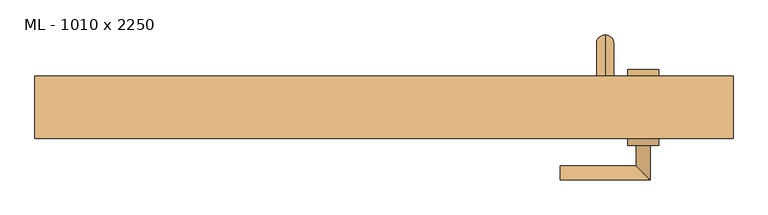
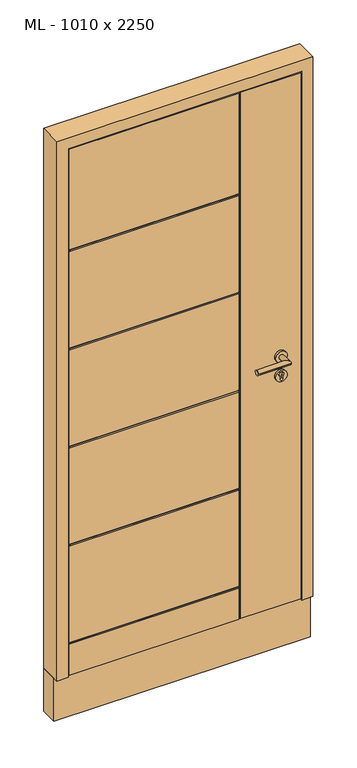
"""IFC4 building model written with IfcOpenShell, lengths in millimetres: door geometry, ML - 1010 x 2250."""

from ifc_helpers import new_model, si_unit, point, frame, frame_2d, origin, place, context, project, spatial, polyline, circle_curve, ellipse_curve, trimmed, segment, composite_curve, outline, extrude, faceted_brep, source, transform, mapped, element, save
from ifc_brep_helpers import plane_surface, cylinder_surface, revolved_surface, advanced_brep


def ml_1010_x_2250_cfb2d4d6(model_context):
    return source(origin(), model_context, "Body", "SolidModel", [
        advanced_brep(
        [(320.0, 200.0, 1875.0), (320.0, 200.0, 1900.0), (320.0, 200.0, 225.0), (320.0, 200.0, 200.0), (320.0, 235.0, 225.0), (320.0, 260.0, 200.0), (320.0, 260.0, 1900.0), (320.0, 235.0, 1875.0)],
        [
            (0, 1, circle_curve(frame((320.0, 200.0, 1887.5), z_axis=(0.0, -1.0, 0.0), x_axis=(0.0, 0.0, 1.0)), 12.5)),
            (1, 0, circle_curve(frame((320.0, 200.0, 1887.5), z_axis=(0.0, -1.0, 0.0), x_axis=(0.0, 0.0, 1.0)), 12.5)),
            (2, 3, circle_curve(frame((320.0, 200.0, 212.5), z_axis=(0.0, -1.0, 0.0), x_axis=(0.0, 0.0, -1.0)), 12.5)),
            (3, 2, circle_curve(frame((320.0, 200.0, 212.5), z_axis=(0.0, -1.0, 0.0), x_axis=(0.0, 0.0, -1.0)), 12.5)),
            (4, 2),
            (3, 5),
            (5, 4, ellipse_curve(frame((320.0, 247.5, 212.5), z_axis=(0.0, -0.7071067811865475, -0.7071067811865475), x_axis=(0.0, 0.7071067811865476, -0.7071067811865474)), 17.6776695, 12.5)),
            (4, 5, ellipse_curve(frame((320.0, 247.5, 212.5), z_axis=(0.0, -0.7071067811865475, -0.7071067811865475), x_axis=(0.0, 0.7071067811865476, -0.7071067811865474)), 17.6776695, 12.5)),
            (6, 5),
            (4, 7),
            (7, 6, ellipse_curve(frame((320.0, 247.5, 1887.5), z_axis=(0.0, 0.7071067811865475, -0.7071067811865475), x_axis=(0.0, 0.7071067811865474, 0.7071067811865476)), 17.6776695, 12.5)),
            (6, 7, ellipse_curve(frame((320.0, 247.5, 1887.5), z_axis=(0.0, 0.7071067811865475, -0.7071067811865475), x_axis=(0.0, 0.7071067811865474, 0.7071067811865476)), 17.6776695, 12.5)),
            (1, 6),
            (7, 0),
        ],
        [
            plane_surface(frame((320.0, 200.0, 1900.0), z_axis=(0.0, -1.0, 0.0), x_axis=(-1.0, 0.0, 0.0))),
            plane_surface(frame((320.0, 200.0, 200.0), z_axis=(0.0, -1.0, 0.0), x_axis=(-1.0, 0.0, 0.0))),
            cylinder_surface(frame((320.0, 260.0, 212.5), z_axis=(0.0, 1.0, 0.0), x_axis=(0.0, 0.0, -1.0)), 12.5),
            cylinder_surface(frame((320.0, 247.5, 1900.0), z_axis=(0.0, 0.0, 1.0), x_axis=(0.0, 1.0, 0.0)), 12.5),
            cylinder_surface(frame((320.0, 200.0, 1887.5), z_axis=(0.0, -1.0, 0.0), x_axis=(0.0, 0.0, 1.0)), 12.5),
        ],
        [
            (0, [[1, 2]]),
            (1, [[3, 4]]),
            (2, [[5, -4, 6, 7]]),
            (2, [[-6, -3, -5, 8]]),
            (3, [[9, -8, 10, 11]]),
            (3, [[-10, -7, -9, 12]]),
            (4, [[13, -11, 14, -2]]),
            (4, [[-14, -12, -13, -1]]),
        ],
    ),
        advanced_brep(
        [(397.5, 200.0, 970.0), (352.5, 200.0, 970.0), (397.5, 210.0, 970.0), (352.5, 210.0, 970.0), (380.0, 210.0, 958.5), (380.0, 210.0, 971.1261365), (370.0, 210.0, 971.1261365), (370.0, 210.0, 958.5), (380.0, 202.0, 958.5), (380.0, 202.0, 971.1261365), (370.0, 202.0, 971.1261365), (370.0, 202.0, 958.5)],
        [
            (0, 1, circle_curve(frame((375.0, 200.0, 970.0), z_axis=(0.0, -1.0, 0.0), x_axis=(-1.0, 0.0, 0.0)), 22.5)),
            (1, 0, circle_curve(frame((375.0, 200.0, 970.0), z_axis=(0.0, -1.0, 0.0), x_axis=(-1.0, 0.0, 0.0)), 22.5)),
            (2, 3, circle_curve(frame((375.0, 210.0, 970.0), z_axis=(0.0, 1.0, 0.0), x_axis=(-1.0, 0.0, 0.0)), 22.5)),
            (3, 2, circle_curve(frame((375.0, 210.0, 970.0), z_axis=(0.0, 1.0, 0.0), x_axis=(-1.0, 0.0, 0.0)), 22.5)),
            (4, 5),
            (5, 6, circle_curve(frame((375.0, 210.0, 978.0), z_axis=(0.0, -1.0, 0.0), x_axis=(-1.0, 0.0, 0.0)), 8.5)),
            (6, 7),
            (7, 4, circle_curve(frame((375.0, 210.0, 958.5), z_axis=(0.0, -1.0, 0.0), x_axis=(-1.0, 0.0, 0.0)), 5.0)),
            (1, 3),
            (2, 0),
            (4, 8),
            (8, 9),
            (9, 5),
            (9, 10, circle_curve(frame((375.0, 202.0, 978.0), z_axis=(0.0, -1.0, 0.0), x_axis=(-1.0, 0.0, 0.0)), 8.5)),
            (10, 6),
            (10, 11),
            (11, 7),
            (11, 8, circle_curve(frame((375.0, 202.0, 958.5), z_axis=(0.0, -1.0, 0.0), x_axis=(-1.0, 0.0, 0.0)), 5.0)),
        ],
        [
            plane_surface(frame((352.5, 200.0, 970.0), z_axis=(0.0, -1.0, 0.0), x_axis=(0.0, 0.0, 1.0))),
            plane_surface(frame((352.5, 210.0, 970.0), z_axis=(0.0, 1.0, 0.0), x_axis=(0.0, 0.0, -1.0))),
            cylinder_surface(frame((375.0, 210.0, 970.0), z_axis=(0.0, -1.0, 0.0), x_axis=(-1.0, 0.0, 0.0)), 22.5),
            plane_surface(frame((380.0, 200.0, 958.5), z_axis=(-1.0, 0.0, 0.0), x_axis=(0.0, 1.0, 0.0))),
            revolved_surface(polyline([(366.5, 210.0, 978.0), (366.5, 202.0, 978.0)]), (375.0, 200.0, 978.0), (0.0, 1.0, 0.0)),
            plane_surface(frame((370.0, 200.0, 971.1261365), z_axis=(1.0, 0.0, 0.0), x_axis=(0.0, 1.0, 0.0))),
            revolved_surface(polyline([(370.0, 210.0, 958.5), (370.0, 202.0, 958.5)]), (375.0, 200.0, 958.5), (0.0, 1.0, 0.0)),
            plane_surface(frame((366.5, 202.0, 978.0), z_axis=(0.0, 1.0, 0.0), x_axis=(0.0, 0.0, -1.0))),
        ],
        [
            (0, [[1, 2]]),
            (1, [[3, 4], [5, 6, 7, 8]]),
            (2, [[9, -3, 10, -2]]),
            (2, [[-10, -4, -9, -1]]),
            (3, [[11, 12, 13, -5]]),
            (4, [[-13, 14, 15, -6]]),
            (5, [[-15, 16, 17, -7]]),
            (6, [[-17, 18, -11, -8]]),
            (7, [[-18, -16, -14, -12]]),
        ],
    ),
        advanced_brep(
        [(-456.0, 110.0, 8.0), (212.0, 110.0, 8.0), (212.0, 110.0, 136.0), (-456.0, 110.0, 136.0), (-456.0, 110.0, 144.0), (212.0, 110.0, 144.0), (212.0, 110.0, 545.2), (-456.0, 110.0, 545.2), (212.0, 110.0, 553.2), (212.0, 110.0, 954.4), (-456.0, 110.0, 954.4), (-456.0, 110.0, 553.2), (212.0, 110.0, 962.4), (212.0, 110.0, 1363.6), (-456.0, 110.0, 1363.6), (-456.0, 110.0, 962.4), (212.0, 110.0, 1371.6), (212.0, 110.0, 1772.8), (-456.0, 110.0, 1772.8), (-456.0, 110.0, 1371.6), (-456.0, 110.0, 2201.0), (-456.0, 110.0, 1780.8), (212.0, 110.0, 1780.8), (212.0, 110.0, 2201.0), (456.0, 110.0, 2201.0), (220.0, 110.0, 2201.0), (220.0, 110.0, 8.0), (456.0, 110.0, 8.0), (456.0, 130.0, 8.0), (456.0, 130.0, 2201.0), (-456.0, 130.0, 8.0), (-456.0, 130.0, 2201.0), (-441.0, 130.0, 2186.0), (-441.0, 130.0, 20.0), (441.0, 130.0, 20.0), (441.0, 130.0, 2186.0), (441.0, 180.0, 20.0), (441.0, 180.0, 2186.0), (-441.0, 180.0, 20.0), (-441.0, 180.0, 2186.0), (-426.0, 180.0, 2171.0), (-426.0, 180.0, 140.0), (426.0, 180.0, 140.0), (426.0, 180.0, 2171.0), (426.0, 200.0, 140.0), (426.0, 200.0, 2171.0), (-426.0, 200.0, 553.2), (-426.0, 200.0, 954.4), (212.0, 200.0, 954.4), (212.0, 200.0, 553.2), (-426.0, 200.0, 962.4), (-426.0, 200.0, 1363.6), (212.0, 200.0, 1363.6), (212.0, 200.0, 962.4), (-426.0, 200.0, 1371.6), (-426.0, 200.0, 1772.8), (212.0, 200.0, 1772.8), (212.0, 200.0, 1371.6), (220.0, 200.0, 140.0), (220.0, 200.0, 2171.0), (-426.0, 200.0, 545.2), (212.0, 200.0, 545.2), (212.0, 200.0, 140.0), (-426.0, 200.0, 140.0), (212.0, 200.0, 2171.0), (212.0, 200.0, 1780.8), (-426.0, 200.0, 1780.8), (-426.0, 200.0, 2171.0), (-426.0, 196.0, 1776.8), (-426.0, 196.0, 1367.6), (-426.0, 196.0, 958.4), (-426.0, 196.0, 549.2), (-456.0, 114.0, 140.0), (-456.0, 114.0, 549.2), (-456.0, 114.0, 958.4), (-456.0, 114.0, 1367.6), (-456.0, 114.0, 1776.8), (216.0, 114.0, 2201.0), (216.0, 196.0, 2171.0), (216.0, 114.0, 8.0), (216.0, 196.0, 140.0), (216.0, 196.0, 549.2), (216.0, 114.0, 549.2), (216.0, 114.0, 140.0), (216.0, 196.0, 958.4), (216.0, 196.0, 1367.6), (216.0, 196.0, 1776.8), (216.0, 114.0, 1776.8), (216.0, 114.0, 1367.6), (216.0, 114.0, 958.4)],
        [
            (0, 1),
            (1, 2),
            (2, 3),
            (3, 0),
            (4, 5),
            (5, 6),
            (6, 7),
            (7, 4),
            (8, 9),
            (9, 10),
            (10, 11),
            (11, 8),
            (12, 13),
            (13, 14),
            (14, 15),
            (15, 12),
            (16, 17),
            (17, 18),
            (18, 19),
            (19, 16),
            (20, 21),
            (21, 22),
            (22, 23),
            (23, 20),
            (24, 25),
            (25, 26),
            (26, 27),
            (27, 24),
            (27, 28),
            (28, 29),
            (29, 24),
            (28, 30),
            (30, 31),
            (31, 29),
            (32, 33),
            (33, 34),
            (34, 35),
            (35, 32),
            (34, 36),
            (36, 37),
            (37, 35),
            (36, 38),
            (38, 39),
            (39, 37),
            (40, 41),
            (41, 42),
            (42, 43),
            (43, 40),
            (42, 44),
            (44, 45),
            (45, 43),
            (46, 47),
            (47, 48),
            (48, 49),
            (49, 46),
            (50, 51),
            (51, 52),
            (52, 53),
            (53, 50),
            (54, 55),
            (55, 56),
            (56, 57),
            (57, 54),
            (44, 58),
            (58, 59),
            (59, 45),
            (60, 61),
            (61, 62),
            (62, 63),
            (63, 60),
            (64, 65),
            (65, 66),
            (66, 67),
            (67, 64),
            (66, 68, circle_curve(frame((-426.0, 196.0, 1780.8), z_axis=(-1.0, 0.0, 0.0), x_axis=(0.0, 1.0, 0.0)), 4.0)),
            (68, 55, circle_curve(frame((-426.0, 196.0, 1772.8), z_axis=(-1.0, 0.0, 0.0), x_axis=(0.0, 1.0, 0.0)), 4.0)),
            (54, 69, circle_curve(frame((-426.0, 196.0, 1371.6), z_axis=(-1.0, 0.0, 0.0), x_axis=(0.0, 1.0, 0.0)), 4.0)),
            (69, 51, circle_curve(frame((-426.0, 196.0, 1363.6), z_axis=(-1.0, 0.0, 0.0), x_axis=(0.0, 1.0, 0.0)), 4.0)),
            (50, 70, circle_curve(frame((-426.0, 196.0, 962.4), z_axis=(-1.0, 0.0, 0.0), x_axis=(0.0, 1.0, 0.0)), 4.0)),
            (70, 47, circle_curve(frame((-426.0, 196.0, 954.4), z_axis=(-1.0, 0.0, 0.0), x_axis=(0.0, 1.0, 0.0)), 4.0)),
            (46, 71, circle_curve(frame((-426.0, 196.0, 553.2), z_axis=(-1.0, 0.0, 0.0), x_axis=(0.0, 1.0, 0.0)), 4.0)),
            (71, 60, circle_curve(frame((-426.0, 196.0, 545.2), z_axis=(-1.0, 0.0, 0.0), x_axis=(0.0, 1.0, 0.0)), 4.0)),
            (63, 41),
            (40, 67),
            (38, 33),
            (32, 39),
            (30, 0),
            (3, 72, circle_curve(frame((-456.0, 114.0, 136.0), z_axis=(-1.0, 0.0, 0.0), x_axis=(0.0, -1.0, 0.0)), 4.0)),
            (72, 4, circle_curve(frame((-456.0, 114.0, 144.0), z_axis=(-1.0, 0.0, 0.0), x_axis=(0.0, -1.0, 0.0)), 4.0)),
            (7, 73, circle_curve(frame((-456.0, 114.0, 545.2), z_axis=(-1.0, 0.0, 0.0), x_axis=(0.0, -1.0, 0.0)), 4.0)),
            (73, 11, circle_curve(frame((-456.0, 114.0, 553.2), z_axis=(-1.0, 0.0, 0.0), x_axis=(0.0, -1.0, 0.0)), 4.0)),
            (10, 74, circle_curve(frame((-456.0, 114.0, 954.4), z_axis=(-1.0, 0.0, 0.0), x_axis=(0.0, -1.0, 0.0)), 4.0)),
            (74, 15, circle_curve(frame((-456.0, 114.0, 962.4), z_axis=(-1.0, 0.0, 0.0), x_axis=(0.0, -1.0, 0.0)), 4.0)),
            (14, 75, circle_curve(frame((-456.0, 114.0, 1363.6), z_axis=(-1.0, 0.0, 0.0), x_axis=(0.0, -1.0, 0.0)), 4.0)),
            (75, 19, circle_curve(frame((-456.0, 114.0, 1371.6), z_axis=(-1.0, 0.0, 0.0), x_axis=(0.0, -1.0, 0.0)), 4.0)),
            (18, 76, circle_curve(frame((-456.0, 114.0, 1772.8), z_axis=(-1.0, 0.0, 0.0), x_axis=(0.0, -1.0, 0.0)), 4.0)),
            (76, 21, circle_curve(frame((-456.0, 114.0, 1780.8), z_axis=(-1.0, 0.0, 0.0), x_axis=(0.0, -1.0, 0.0)), 4.0)),
            (20, 31),
            (23, 77, circle_curve(frame((212.0, 114.0, 2201.0), z_axis=(0.0, 0.0, 1.0), x_axis=(0.0, -1.0, 0.0)), 4.0)),
            (77, 25, circle_curve(frame((220.0, 114.0, 2201.0), z_axis=(0.0, 0.0, 1.0), x_axis=(0.0, -1.0, 0.0)), 4.0)),
            (59, 78, circle_curve(frame((220.0, 196.0, 2171.0), z_axis=(0.0, 0.0, 1.0), x_axis=(0.0, 1.0, 0.0)), 4.0)),
            (78, 64, circle_curve(frame((212.0, 196.0, 2171.0), z_axis=(0.0, 0.0, 1.0), x_axis=(0.0, 1.0, 0.0)), 4.0)),
            (26, 79, circle_curve(frame((220.0, 114.0, 8.0), z_axis=(0.0, 0.0, -1.0), x_axis=(0.0, -1.0, 0.0)), 4.0)),
            (79, 1, circle_curve(frame((212.0, 114.0, 8.0), z_axis=(0.0, 0.0, -1.0), x_axis=(0.0, -1.0, 0.0)), 4.0)),
            (62, 80, circle_curve(frame((212.0, 196.0, 140.0), z_axis=(0.0, 0.0, -1.0), x_axis=(0.0, 1.0, 0.0)), 4.0)),
            (80, 58, circle_curve(frame((220.0, 196.0, 140.0), z_axis=(0.0, 0.0, -1.0), x_axis=(0.0, 1.0, 0.0)), 4.0)),
            (81, 61, ellipse_curve(frame((212.0, 196.0, 545.2), z_axis=(-0.7071067811865475, 0.0, 0.7071067811865476), x_axis=(-0.7071067811865476, 0.0, -0.7071067811865475)), 5.6568542, 4.0)),
            (71, 81),
            (49, 81, ellipse_curve(frame((212.0, 196.0, 553.2), z_axis=(-0.7071067811865475, 0.0, -0.7071067811865475), x_axis=(-0.7071067811865476, 0.0, 0.7071067811865474)), 5.6568542, 4.0)),
            (6, 82, ellipse_curve(frame((212.0, 114.0, 545.2), z_axis=(-0.7071067811865475, 0.0, 0.7071067811865475), x_axis=(0.7071067811865476, 0.0, 0.7071067811865474)), 5.6568542, 4.0)),
            (82, 73),
            (82, 8, ellipse_curve(frame((212.0, 114.0, 553.2), z_axis=(-0.7071067811865475, 0.0, -0.7071067811865476), x_axis=(0.7071067811865476, 0.0, -0.7071067811865475)), 5.6568542, 4.0)),
            (2, 83, ellipse_curve(frame((212.0, 114.0, 136.0), z_axis=(-0.7071067811865475, 0.0, 0.7071067811865475), x_axis=(-0.7071067811865476, 0.0, -0.7071067811865474)), 5.6568542, 4.0)),
            (83, 72),
            (83, 5, ellipse_curve(frame((212.0, 114.0, 144.0), z_axis=(-0.7071067811865475, 0.0, -0.7071067811865476), x_axis=(-0.7071067811865476, 0.0, 0.7071067811865475)), 5.6568542, 4.0)),
            (81, 84),
            (84, 85),
            (85, 86),
            (86, 78),
            (80, 81),
            (48, 84, ellipse_curve(frame((212.0, 196.0, 954.4), z_axis=(0.7071067811865475, 0.0, -0.7071067811865476), x_axis=(0.7071067811865476, 0.0, 0.7071067811865474)), 5.6568542, 4.0)),
            (52, 85, ellipse_curve(frame((212.0, 196.0, 1363.6), z_axis=(0.7071067811865475, 0.0, -0.7071067811865476), x_axis=(0.7071067811865476, 0.0, 0.7071067811865474)), 5.6568542, 4.0)),
            (84, 53, ellipse_curve(frame((212.0, 196.0, 962.4), z_axis=(0.7071067811865475, 0.0, 0.7071067811865475), x_axis=(-0.7071067811865474, 0.0, 0.7071067811865477)), 5.6568542, 4.0)),
            (56, 86, ellipse_curve(frame((212.0, 196.0, 1772.8), z_axis=(0.7071067811865475, 0.0, -0.7071067811865476), x_axis=(0.7071067811865476, 0.0, 0.7071067811865474)), 5.6568542, 4.0)),
            (85, 57, ellipse_curve(frame((212.0, 196.0, 1371.6), z_axis=(0.7071067811865475, 0.0, 0.7071067811865475), x_axis=(-0.7071067811865474, 0.0, 0.7071067811865477)), 5.6568542, 4.0)),
            (86, 65, ellipse_curve(frame((212.0, 196.0, 1780.8), z_axis=(0.7071067811865475, 0.0, 0.7071067811865475), x_axis=(-0.7071067811865474, 0.0, 0.7071067811865477)), 5.6568542, 4.0)),
            (70, 84),
            (83, 79),
            (77, 87),
            (87, 88),
            (88, 89),
            (89, 82),
            (82, 83),
            (22, 87, ellipse_curve(frame((212.0, 114.0, 1780.8), z_axis=(0.7071067811865475, 0.0, 0.7071067811865476), x_axis=(0.7071067811865476, 0.0, -0.7071067811865474)), 5.6568542, 4.0)),
            (87, 17, ellipse_curve(frame((212.0, 114.0, 1772.8), z_axis=(0.7071067811865475, 0.0, -0.7071067811865475), x_axis=(-0.7071067811865474, 0.0, -0.7071067811865477)), 5.6568542, 4.0)),
            (16, 88, ellipse_curve(frame((212.0, 114.0, 1371.6), z_axis=(0.7071067811865475, 0.0, 0.7071067811865476), x_axis=(0.7071067811865476, 0.0, -0.7071067811865474)), 5.6568542, 4.0)),
            (88, 13, ellipse_curve(frame((212.0, 114.0, 1363.6), z_axis=(0.7071067811865475, 0.0, -0.7071067811865475), x_axis=(-0.7071067811865474, 0.0, -0.7071067811865477)), 5.6568542, 4.0)),
            (12, 89, ellipse_curve(frame((212.0, 114.0, 962.4), z_axis=(0.7071067811865475, 0.0, 0.7071067811865476), x_axis=(0.7071067811865476, 0.0, -0.7071067811865474)), 5.6568542, 4.0)),
            (89, 9, ellipse_curve(frame((212.0, 114.0, 954.4), z_axis=(0.7071067811865475, 0.0, -0.7071067811865475), x_axis=(-0.7071067811865474, 0.0, -0.7071067811865477)), 5.6568542, 4.0)),
            (89, 74),
            (88, 75),
            (69, 85),
            (87, 76),
            (68, 86),
        ],
        [
            plane_surface(frame((456.0, 110.0, 2201.0), z_axis=(0.0, -1.0, 0.0), x_axis=(0.0, 0.0, -1.0))),
            plane_surface(frame((456.0, 200.0, 2201.0), z_axis=(1.0, 0.0, 0.0), x_axis=(0.0, 0.0, -1.0))),
            plane_surface(frame((441.0, 130.0, 0.0), z_axis=(0.0, 1.0, 0.0), x_axis=(0.0, 0.0, 1.0))),
            plane_surface(frame((441.0, 180.0, 0.0), z_axis=(1.0, 0.0, 0.0), x_axis=(0.0, 0.0, 1.0))),
            plane_surface(frame((426.0, 180.0, 0.0), z_axis=(0.0, 1.0, 0.0), x_axis=(0.0, 0.0, 1.0))),
            plane_surface(frame((426.0, 200.0, 0.0), z_axis=(1.0, 0.0, 0.0), x_axis=(0.0, 0.0, 1.0))),
            plane_surface(frame((-456.0, 200.0, 2201.0), z_axis=(0.0, 1.0, 0.0), x_axis=(0.0, 0.0, -1.0))),
            plane_surface(frame((-426.0, 200.0, 2171.0), z_axis=(-1.0, 0.0, 0.0), x_axis=(0.0, 0.0, -1.0))),
            plane_surface(frame((-441.0, 180.0, 2186.0), z_axis=(-1.0, 0.0, 0.0), x_axis=(0.0, 0.0, -1.0))),
            plane_surface(frame((-456.0, 110.0, 2201.0), z_axis=(-1.0, 0.0, 0.0), x_axis=(0.0, 0.0, -1.0))),
            plane_surface(frame((456.0, 200.0, 2201.0), z_axis=(0.0, 0.0, 1.0), x_axis=(1.0, 0.0, 0.0))),
            plane_surface(frame((426.0, 200.0, 2171.0), z_axis=(0.0, 0.0, 1.0), x_axis=(-1.0, 0.0, 0.0))),
            plane_surface(frame((441.0, 180.0, 2186.0), z_axis=(0.0, 0.0, 1.0), x_axis=(-1.0, 0.0, 0.0))),
            plane_surface(frame((-456.0, 200.0, 20.0), z_axis=(0.0, 0.0, -1.0), x_axis=(1.0, 0.0, 0.0))),
            plane_surface(frame((-456.0, 130.0, 8.0), z_axis=(0.0, 0.0, -1.0), x_axis=(1.0, 0.0, 0.0))),
            plane_surface(frame((-456.0, 200.0, 140.0), z_axis=(0.0, 0.0, -1.0), x_axis=(1.0, 0.0, 0.0))),
            cylinder_surface(frame((216.0, 196.0, 545.2), z_axis=(-1.0, 0.0, 0.0), x_axis=(0.0, 1.0, 0.0)), 4.0),
            cylinder_surface(frame((216.0, 196.0, 553.2), z_axis=(-1.0, 0.0, 0.0), x_axis=(0.0, 1.0, 0.0)), 4.0),
            cylinder_surface(frame((-496.0, 114.0, 545.2), z_axis=(1.0, 0.0, 0.0), x_axis=(0.0, -1.0, 0.0)), 4.0),
            cylinder_surface(frame((-496.0, 114.0, 553.2), z_axis=(1.0, 0.0, 0.0), x_axis=(0.0, -1.0, 0.0)), 4.0),
            cylinder_surface(frame((216.0, 114.0, 136.0), z_axis=(-1.0, 0.0, 0.0), x_axis=(0.0, -1.0, 0.0)), 4.0),
            cylinder_surface(frame((216.0, 114.0, 144.0), z_axis=(-1.0, 0.0, 0.0), x_axis=(0.0, -1.0, 0.0)), 4.0),
            cylinder_surface(frame((220.0, 196.0, -10.0), z_axis=(0.0, 0.0, 1.0), x_axis=(0.0, 1.0, 0.0)), 4.0),
            cylinder_surface(frame((212.0, 196.0, -10.0), z_axis=(0.0, 0.0, 1.0), x_axis=(0.0, 1.0, 0.0)), 4.0),
            cylinder_surface(frame((216.0, 196.0, 954.4), z_axis=(-1.0, 0.0, 0.0), x_axis=(0.0, 1.0, 0.0)), 4.0),
            cylinder_surface(frame((216.0, 196.0, 962.4), z_axis=(-1.0, 0.0, 0.0), x_axis=(0.0, 1.0, 0.0)), 4.0),
            cylinder_surface(frame((220.0, 114.0, 2211.0), z_axis=(0.0, 0.0, -1.0), x_axis=(0.0, -1.0, 0.0)), 4.0),
            cylinder_surface(frame((212.0, 114.0, 2211.0), z_axis=(0.0, 0.0, -1.0), x_axis=(0.0, -1.0, 0.0)), 4.0),
            cylinder_surface(frame((-496.0, 114.0, 954.4), z_axis=(1.0, 0.0, 0.0), x_axis=(0.0, -1.0, 0.0)), 4.0),
            cylinder_surface(frame((-496.0, 114.0, 962.4), z_axis=(1.0, 0.0, 0.0), x_axis=(0.0, -1.0, 0.0)), 4.0),
            cylinder_surface(frame((-496.0, 114.0, 1363.6), z_axis=(1.0, 0.0, 0.0), x_axis=(0.0, -1.0, 0.0)), 4.0),
            cylinder_surface(frame((-496.0, 114.0, 1371.6), z_axis=(1.0, 0.0, 0.0), x_axis=(0.0, -1.0, 0.0)), 4.0),
            cylinder_surface(frame((216.0, 196.0, 1363.6), z_axis=(-1.0, 0.0, 0.0), x_axis=(0.0, 1.0, 0.0)), 4.0),
            cylinder_surface(frame((216.0, 196.0, 1371.6), z_axis=(-1.0, 0.0, 0.0), x_axis=(0.0, 1.0, 0.0)), 4.0),
            cylinder_surface(frame((-496.0, 114.0, 1772.8), z_axis=(1.0, 0.0, 0.0), x_axis=(0.0, -1.0, 0.0)), 4.0),
            cylinder_surface(frame((-496.0, 114.0, 1780.8), z_axis=(1.0, 0.0, 0.0), x_axis=(0.0, -1.0, 0.0)), 4.0),
            cylinder_surface(frame((216.0, 196.0, 1772.8), z_axis=(-1.0, 0.0, 0.0), x_axis=(0.0, 1.0, 0.0)), 4.0),
            cylinder_surface(frame((216.0, 196.0, 1780.8), z_axis=(-1.0, 0.0, 0.0), x_axis=(0.0, 1.0, 0.0)), 4.0),
        ],
        [
            (0, [[1, 2, 3, 4]]),
            (0, [[5, 6, 7, 8]]),
            (0, [[9, 10, 11, 12]]),
            (0, [[13, 14, 15, 16]]),
            (0, [[17, 18, 19, 20]]),
            (0, [[21, 22, 23, 24]]),
            (0, [[25, 26, 27, 28]]),
            (1, [[-28, 29, 30, 31]]),
            (2, [[-30, 32, 33, 34], [35, 36, 37, 38]]),
            (3, [[-37, 39, 40, 41]]),
            (4, [[-40, 42, 43, 44], [45, 46, 47, 48]]),
            (5, [[-47, 49, 50, 51]]),
            (6, [[52, 53, 54, 55]]),
            (6, [[56, 57, 58, 59]]),
            (6, [[60, 61, 62, 63]]),
            (6, [[64, 65, 66, -50]]),
            (6, [[67, 68, 69, 70]]),
            (6, [[71, 72, 73, 74]]),
            (7, [[-73, 75, 76, -60, 77, 78, -56, 79, 80, -52, 81, 82, -70, 83, -45, 84]]),
            (8, [[-43, 85, -35, 86]]),
            (9, [[-33, 87, -4, 88, 89, -8, 90, 91, -11, 92, 93, -15, 94, 95, -19, 96, 97, -21, 98]]),
            (10, [[-34, -98, -24, 99, 100, -25, -31]]),
            (11, [[-66, 101, 102, -74, -84, -48, -51]]),
            (12, [[-86, -38, -41, -44]]),
            (13, [[-85, -42, -39, -36]]),
            (14, [[-27, 103, 104, -1, -87, -32, -29]]),
            (15, [[-83, -69, 105, 106, -64, -49, -46]]),
            (16, [[107, -67, -82, 108]]),
            (17, [[-81, -55, 109, -108]]),
            (18, [[-90, -7, 110, 111]]),
            (19, [[112, -12, -91, -111]]),
            (20, [[-88, -3, 113, 114]]),
            (21, [[115, -5, -89, -114]]),
            (22, [[116, 117, 118, 119, -101, -65, -106, 120]]),
            (23, [[-54, 121, -116, -109]]),
            (23, [[-58, 122, -117, 123]]),
            (23, [[-62, 124, -118, 125]]),
            (23, [[-105, -68, -107, -120]]),
            (23, [[-119, 126, -71, -102]]),
            (24, [[-121, -53, -80, 127]]),
            (25, [[-79, -59, -123, -127]]),
            (26, [[128, -103, -26, -100, 129, 130, 131, 132, 133]]),
            (27, [[-23, 134, -129, -99]]),
            (27, [[-110, -6, -115, -133]]),
            (27, [[-113, -2, -104, -128]]),
            (27, [[-130, 135, -17, 136]]),
            (27, [[-131, 137, -13, 138]]),
            (27, [[-132, 139, -9, -112]]),
            (28, [[-92, -10, -139, 140]]),
            (29, [[-138, -16, -93, -140]]),
            (30, [[-94, -14, -137, 141]]),
            (31, [[-136, -20, -95, -141]]),
            (32, [[-122, -57, -78, 142]]),
            (33, [[-77, -63, -125, -142]]),
            (34, [[-96, -18, -135, 143]]),
            (35, [[-134, -22, -97, -143]]),
            (36, [[-124, -61, -76, 144]]),
            (37, [[-75, -72, -126, -144]]),
        ],
    ),
        extrude(outline(polyline([(180.0, 140.0), (196.0, 140.0), (196.0, 136.0), (200.0, 136.0), (200.0, 20.0), (195.9609036, 20.0), (195.9609036, 24.0), (191.9609036, 24.0), (191.9609036, 20.0), (180.0, 20.0), (180.0, 140.0)])), frame((-426.0, 0.0, 0.0), z_axis=(1.0, 0.0, 0.0), x_axis=(0.0, 1.0, 0.0)), (0.0, 0.0, 1.0), 852.0),
        faceted_brep([(426.0, 180.0, 0.0), (426.0, 200.0, 0.0), (426.0, 200.0, 7.0), (426.0, 180.0, 9.0), (-426.0, 180.0, 0.0), (-441.0, 180.0, 0.0), (-441.0, 180.0, 9.0), (-426.0, 180.0, 9.0), (441.0, 180.0, 9.0), (441.0, 180.0, 0.0), (441.0, 150.0, 12.0), (441.0, 150.0, 15.0), (441.0, 130.0, 15.0), (441.0, 130.0, 0.0), (-426.0, 200.0, 7.0), (-426.0, 200.0, 0.0), (-441.0, 130.0, 0.0), (-441.0, 130.0, 15.0), (-441.0, 150.0, 15.0), (-441.0, 150.0, 12.0)], [[[0, 1, 2, 3]], [[4, 5, 6, 7]], [[3, 8, 9, 0]], [[8, 10, 11, 12, 13, 9]], [[7, 14, 15, 4]], [[5, 16, 17, 18, 19, 6]], [[17, 16, 13, 12]], [[16, 5, 4, 15, 1, 0, 9, 13]], [[15, 14, 2, 1]], [[12, 11, 18, 17]], [[14, 7, 6, 19, 10, 8, 3, 2]], [[11, 10, 19, 18]]]),
        advanced_brep(
        [(397.5, 110.0, 970.0), (352.5, 110.0, 970.0), (397.5, 100.0, 970.0), (352.5, 100.0, 970.0), (380.0, 100.0, 958.5), (370.0, 100.0, 958.5), (370.0, 100.0, 971.1261365), (380.0, 100.0, 971.1261365), (380.0, 108.0, 971.1261365), (380.0, 108.0, 958.5), (370.0, 108.0, 971.1261365), (370.0, 108.0, 958.5)],
        [
            (0, 1, circle_curve(frame((375.0, 110.0, 970.0), z_axis=(0.0, 1.0, 0.0), x_axis=(-1.0, 0.0, 0.0)), 22.5)),
            (1, 0, circle_curve(frame((375.0, 110.0, 970.0), z_axis=(0.0, 1.0, 0.0), x_axis=(-1.0, 0.0, 0.0)), 22.5)),
            (2, 3, circle_curve(frame((375.0, 100.0, 970.0), z_axis=(0.0, -1.0, 0.0), x_axis=(-1.0, 0.0, 0.0)), 22.5)),
            (3, 2, circle_curve(frame((375.0, 100.0, 970.0), z_axis=(0.0, -1.0, 0.0), x_axis=(-1.0, 0.0, 0.0)), 22.5)),
            (4, 5, circle_curve(frame((375.0, 100.0, 958.5), z_axis=(0.0, 1.0, 0.0), x_axis=(-1.0, 0.0, 0.0)), 5.0)),
            (5, 6),
            (6, 7, circle_curve(frame((375.0, 100.0, 978.0), z_axis=(0.0, 1.0, 0.0), x_axis=(-1.0, 0.0, 0.0)), 8.5)),
            (7, 4),
            (0, 2),
            (3, 1),
            (7, 8),
            (8, 9),
            (9, 4),
            (6, 10),
            (10, 8, circle_curve(frame((375.0, 108.0, 978.0), z_axis=(0.0, 1.0, 0.0), x_axis=(-1.0, 0.0, 0.0)), 8.5)),
            (5, 11),
            (11, 10),
            (9, 11, circle_curve(frame((375.0, 108.0, 958.5), z_axis=(0.0, 1.0, 0.0), x_axis=(-1.0, 0.0, 0.0)), 5.0)),
        ],
        [
            plane_surface(frame((352.5, 110.0, 970.0), z_axis=(0.0, 1.0, 0.0), x_axis=(0.0, 0.0, 1.0))),
            plane_surface(frame((352.5, 100.0, 970.0), z_axis=(0.0, -1.0, 0.0), x_axis=(0.0, 0.0, -1.0))),
            cylinder_surface(frame((375.0, 100.0, 970.0), z_axis=(0.0, 1.0, 0.0), x_axis=(-1.0, 0.0, 0.0)), 22.5),
            plane_surface(frame((380.0, 110.0, 958.5), z_axis=(-1.0, 0.0, 0.0), x_axis=(0.0, -1.0, 0.0))),
            revolved_surface(polyline([(366.5, 100.0, 978.0), (366.5, 108.0, 978.0)]), (375.0, 110.0, 978.0), (0.0, -1.0, 0.0)),
            plane_surface(frame((370.0, 110.0, 971.1261365), z_axis=(1.0, 0.0, 0.0), x_axis=(0.0, -1.0, 0.0))),
            revolved_surface(polyline([(370.0, 100.0, 958.5), (370.0, 108.0, 958.5)]), (375.0, 110.0, 958.5), (0.0, -1.0, 0.0)),
            plane_surface(frame((380.0, 108.0, 958.5), z_axis=(0.0, -1.0, 0.0), x_axis=(0.0, 0.0, 1.0))),
        ],
        [
            (0, [[1, 2]]),
            (1, [[3, 4], [5, 6, 7, 8]]),
            (2, [[-1, 9, -4, 10]]),
            (2, [[-2, -10, -3, -9]]),
            (3, [[-8, 11, 12, 13]]),
            (4, [[-7, 14, 15, -11]]),
            (5, [[-6, 16, 17, -14]]),
            (6, [[-5, -13, 18, -16]]),
            (7, [[-12, -15, -17, -18]]),
        ],
    ),
        advanced_brep(
        [(365.0, 100.0, 1050.0), (385.0, 100.0, 1050.0), (365.0, 70.0, 1050.0), (385.0, 50.0, 1050.0), (255.0, 70.0, 1050.0), (255.0, 50.0, 1050.0)],
        [
            (0, 1, circle_curve(frame((375.0, 100.0, 1050.0), z_axis=(0.0, 1.0, 0.0), x_axis=(1.0, 0.0, 0.0)), 10.0)),
            (1, 0, circle_curve(frame((375.0, 100.0, 1050.0), z_axis=(0.0, 1.0, 0.0), x_axis=(1.0, 0.0, 0.0)), 10.0)),
            (0, 2),
            (2, 3, ellipse_curve(frame((375.0, 60.0, 1050.0), z_axis=(0.7071067811865486, 0.7071067811865464, 0.0), x_axis=(-0.7071067811865464, 0.7071067811865488, 0.0)), 14.1421356, 10.0)),
            (3, 1),
            (3, 2, ellipse_curve(frame((375.0, 60.0, 1050.0), z_axis=(0.7071067811865486, 0.7071067811865464, 0.0), x_axis=(-0.7071067811865464, 0.7071067811865488, 0.0)), 14.1421356, 10.0)),
            (4, 5, circle_curve(frame((255.0, 60.0, 1050.0), z_axis=(-1.0, 0.0, 0.0), x_axis=(0.0, -1.0, 0.0)), 10.0)),
            (5, 4, circle_curve(frame((255.0, 60.0, 1050.0), z_axis=(-1.0, 0.0, 0.0), x_axis=(0.0, -1.0, 0.0)), 10.0)),
            (2, 4),
            (5, 3),
        ],
        [
            plane_surface(frame((375.0, 100.0, 1050.0), z_axis=(0.0, 1.0, 0.0), x_axis=(0.0, 0.0, 1.0))),
            cylinder_surface(frame((375.0, 100.0, 1050.0), z_axis=(0.0, 1.0, 0.0), x_axis=(1.0, 0.0, 0.0)), 10.0),
            plane_surface(frame((255.0, 60.0, 1050.0), z_axis=(-1.0, 0.0, 0.0), x_axis=(0.0, 0.0, 1.0))),
            cylinder_surface(frame((375.0, 60.0, 1050.0), z_axis=(1.0, 0.0, 0.0), x_axis=(0.0, -1.0, 0.0)), 10.0),
        ],
        [
            (0, [[1, 2]]),
            (1, [[-1, 3, 4, 5]]),
            (1, [[-2, -5, 6, -3]]),
            (2, [[7, 8]]),
            (3, [[-4, 9, -8, 10]]),
            (3, [[-6, -10, -7, -9]]),
        ],
    ),
        advanced_brep(
        [(365.0, 100.0, 1050.0), (385.0, 100.0, 1050.0), (365.0, 70.0, 1050.0), (385.0, 50.0, 1050.0), (255.0, 70.0, 1050.0), (255.0, 50.0, 1050.0)],
        [
            (0, 1, circle_curve(frame((375.0, 100.0, 1050.0), z_axis=(0.0, 1.0, 0.0), x_axis=(1.0, 0.0, 0.0)), 10.0)),
            (1, 0, circle_curve(frame((375.0, 100.0, 1050.0), z_axis=(0.0, 1.0, 0.0), x_axis=(1.0, 0.0, 0.0)), 10.0)),
            (0, 2),
            (2, 3, ellipse_curve(frame((375.0, 60.0, 1050.0), z_axis=(0.7071067811865491, 0.7071067811865459, 0.0), x_axis=(-0.7071067811865458, 0.7071067811865492, 0.0)), 14.1421356, 10.0)),
            (3, 1),
            (3, 2, ellipse_curve(frame((375.0, 60.0, 1050.0), z_axis=(0.7071067811865491, 0.7071067811865459, 0.0), x_axis=(-0.7071067811865458, 0.7071067811865492, 0.0)), 14.1421356, 10.0)),
            (4, 5, circle_curve(frame((255.0, 60.0, 1050.0), z_axis=(-1.0, 0.0, 0.0), x_axis=(0.0, -1.0, 0.0)), 10.0)),
            (5, 4, circle_curve(frame((255.0, 60.0, 1050.0), z_axis=(-1.0, 0.0, 0.0), x_axis=(0.0, -1.0, 0.0)), 10.0)),
            (2, 4),
            (5, 3),
        ],
        [
            plane_surface(frame((375.0, 100.0, 1050.0), z_axis=(0.0, 1.0, 0.0), x_axis=(0.0, 0.0, 1.0))),
            cylinder_surface(frame((375.0, 100.0, 1050.0), z_axis=(0.0, 1.0, 0.0), x_axis=(1.0, 0.0, 0.0)), 10.0),
            plane_surface(frame((255.0, 60.0, 1050.0), z_axis=(-1.0, 0.0, 0.0), x_axis=(0.0, 0.0, 1.0))),
            cylinder_surface(frame((375.0, 60.0, 1050.0), z_axis=(1.0, 0.0, 0.0), x_axis=(0.0, -1.0, 0.0)), 10.0),
        ],
        [
            (0, [[1, 2]]),
            (1, [[-1, 3, 4, 5]]),
            (1, [[-2, -5, 6, -3]]),
            (2, [[7, 8]]),
            (3, [[-4, 9, -8, 10]]),
            (3, [[-6, -10, -7, -9]]),
        ],
    ),
        extrude(outline(composite_curve([segment(trimmed(circle_curve(frame_2d((1050.0, 375.0)), 22.5), [point((1050.0, 397.5))], [point((1050.0, 352.5))], False, "CARTESIAN"), True, "CONTINUOUS"), segment(trimmed(circle_curve(frame_2d((1050.0, 375.0)), 22.5), [point((1050.0, 352.5))], [point((1050.0, 397.5))], False, "CARTESIAN"), True, "CONTINUOUS")], self_intersect=False)), frame((0.0, 100.0, 0.0), z_axis=(0.0, 1.0, 0.0), x_axis=(0.0, 0.0, 1.0)), (0.0, 0.0, 1.0), 10.0),
        faceted_brep([(-505.0, 110.0, 2250.0), (-505.0, 110.0, 0.0), (-460.0, 110.0, 0.0), (-460.0, 110.0, 2205.0), (460.0, 110.0, 2205.0), (460.0, 110.0, 0.0), (505.0, 110.0, 0.0), (505.0, 110.0, 2250.0), (-505.0, 200.0, 2250.0), (-505.0, 200.0, 0.0), (-430.0, 200.0, 0.0), (-430.0, 180.0, 0.0), (-445.0, 180.0, 0.0), (-445.0, 130.0, 0.0), (-460.0, 130.0, 0.0), (-460.0, 130.0, 2205.0), (460.0, 130.0, 2205.0), (460.0, 130.0, 0.0), (430.0, 200.0, 0.0), (505.0, 200.0, 0.0), (445.0, 130.0, 0.0), (445.0, 180.0, 0.0), (430.0, 180.0, 0.0), (505.0, 200.0, 2250.0), (430.0, 200.0, 2175.0), (-430.0, 200.0, 2175.0), (430.0, 180.0, 2175.0), (-430.0, 180.0, 2175.0), (-445.0, 130.0, 2190.0), (445.0, 130.0, 2190.0), (445.0, 180.0, 2190.0), (-445.0, 180.0, 2190.0)], [[[0, 1, 2, 3, 4, 5, 6, 7]], [[1, 0, 8, 9]], [[9, 10, 11, 12, 13, 14, 2, 1]], [[14, 15, 3, 2]], [[16, 17, 5, 4]], [[18, 19, 6, 5, 17, 20, 21, 22]], [[7, 6, 19, 23]], [[8, 23, 19, 18, 24, 25, 10, 9]], [[24, 18, 22, 26]], [[10, 25, 27, 11]], [[15, 14, 13, 28, 29, 20, 17, 16]], [[20, 29, 30, 21]], [[31, 12, 11, 27, 26, 22, 21, 30]], [[28, 13, 12, 31]], [[0, 7, 23, 8]], [[25, 24, 26, 27]], [[3, 15, 16, 4]], [[29, 28, 31, 30]]]),
        extrude(outline(polyline([(505.0, 200.0), (505.0, 130.0), (-505.0, 130.0), (-505.0, 200.0), (505.0, 200.0)])), frame((0.0, 0.0, -180.0), z_axis=(0.0, 0.0, 1.0), x_axis=(1.0, 0.0, 0.0)), (0.0, 0.0, 1.0), 180.0),
    ])


if __name__ == "__main__":
    model = new_model("IFC4")
    model_context = context("Model", 3, world=origin())
    ifc_project = project(units=[si_unit("LENGTHUNIT", "METRE", prefix="MILLI")], contexts=[model_context])
    site = spatial("IfcSite", under=ifc_project)
    building = spatial("IfcBuilding", under=site)
    placement = place(None, origin())
    ml_1010_x_2250_shape = ml_1010_x_2250_cfb2d4d6(model_context)
    element("IfcDoor", 1, ObjectType="ML - 1010 x 2250", at=placement, inside=building, context=model_context, shape_type="MappedRepresentation", body=[
        mapped(ml_1010_x_2250_shape, transform((0.0, 0.0, 0.0), x_axis=(1.0, 0.0, 0.0), y_axis=(0.0, 1.0, 0.0), z_axis=(0.0, 0.0, 1.0))),
    ])
    save(model, "model.ifc")
